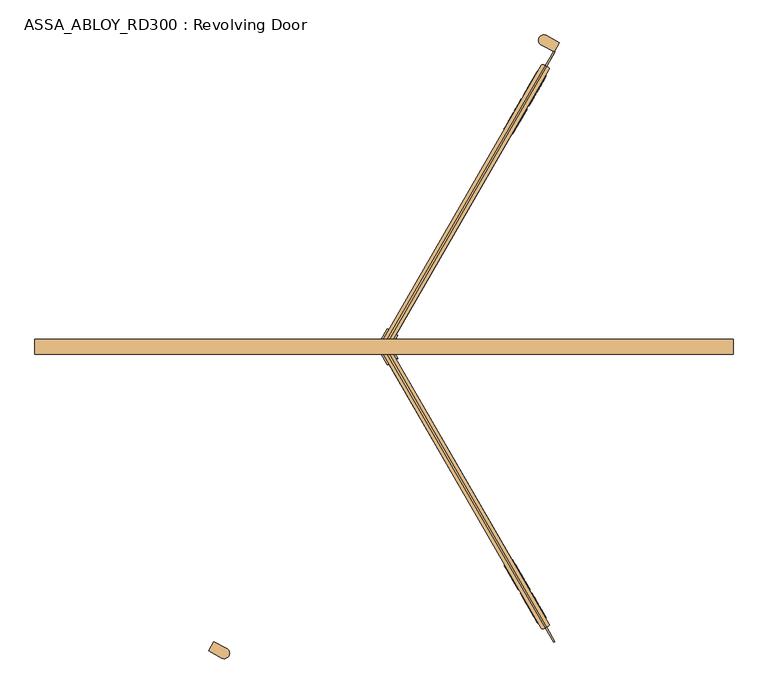
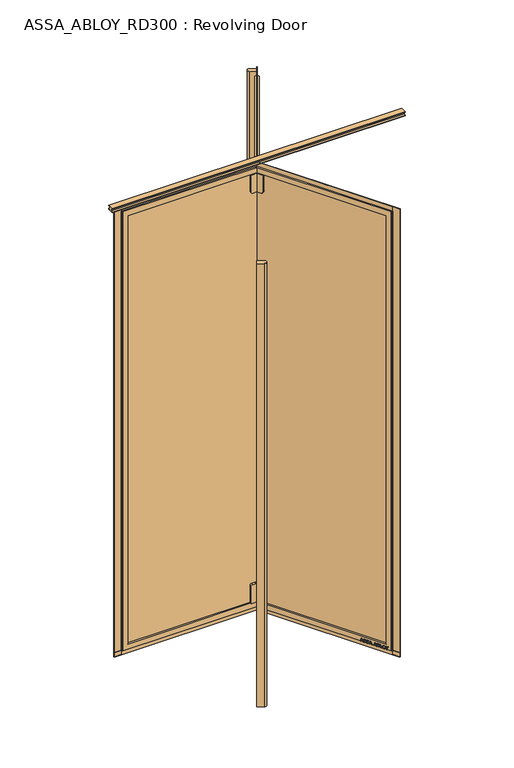
"""IFC4 building model written with IfcOpenShell, lengths in millimetres: door geometry, ASSA_ABLOY_RD300 : Revolving Door."""

from ifc_helpers import new_model, si_unit, point, frame, frame_2d, origin, origin_with_axes, origin_2d, place, context, project, spatial, polyline, circle_curve, trimmed, segment, composite_curve, outline, extrude, source, transform, mapped, element, save
from ifc_brep_helpers import plane_surface, cylinder_surface, advanced_brep


def assa_abloy_rd300_revolving_door_670767a7(model_context):
    return source(origin(), model_context, "Body", "SolidModel", [
        extrude(outline(polyline([(20.0, 2999.5), (20.0, 2995.0), (7.5, 2995.0), (7.5, 2978.0), (20.0, 2978.0), (20.0, 2973.5), (-20.0, 2973.5), (-20.0, 2978.0), (-7.5, 2978.0), (-7.5, 2995.0), (-20.0, 2995.0), (-20.0, 2999.5), (20.0, 2999.5)])), frame((-922.0, 0.0, 0.0), z_axis=(1.0, 0.0, 0.0), x_axis=(0.0, 1.0, 0.0)), (0.0, 0.0, 1.0), 1844.0),
        extrude(outline(composite_curve([segment(trimmed(circle_curve(origin_2d(), 899.0), [point((-449.5, -778.556838))], [point((-414.4138246, -797.7857996))], True, "CARTESIAN"), True, "CONTINUOUS"), segment(trimmed(circle_curve(frame_2d((-421.9447104, -809.619189)), 14.0265229), [point((-414.4138246, -797.7857996))], [point((-428.4272833, -822.0578221))], False, "CARTESIAN"), True, "CONTINUOUS"), segment(trimmed(circle_curve(origin_2d(), 927.0), [point((-428.4272833, -822.0578221))], [point((-463.5, -802.8055493))], False, "CARTESIAN"), True, "CONTINUOUS"), segment(polyline([(-463.5, -802.8055493), (-449.5, -778.556838)]), True, "CONTINUOUS")], self_intersect=False)), origin_with_axes(), (0.0, 0.0, 1.0), 2949.0),
        extrude(outline(composite_curve([segment(trimmed(circle_curve(origin_2d(), 899.0), [point((449.5, 778.556838))], [point((414.4138246, 797.7857996))], True, "CARTESIAN"), True, "CONTINUOUS"), segment(trimmed(circle_curve(frame_2d((421.9447104, 809.619189)), 14.0265229), [point((414.4138246, 797.7857996))], [point((428.4272833, 822.0578221))], False, "CARTESIAN"), True, "CONTINUOUS"), segment(trimmed(circle_curve(origin_2d(), 927.0), [point((428.4272833, 822.0578221))], [point((463.5, 802.8055493))], False, "CARTESIAN"), True, "CONTINUOUS"), segment(polyline([(463.5, 802.8055493), (449.5, 778.556838)]), True, "CONTINUOUS")], self_intersect=False)), origin_with_axes(), (0.0, 0.0, 1.0), 2949.0),
        extrude(outline(composite_curve([segment(polyline([(-44.9999999, 0.0), (0.0, 0.0), (0.0, -114.0)]), True, "CONTINUOUS"), segment(trimmed(circle_curve(frame_2d((-9.0, -114.0)), 9.0), [point((0.0, -114.0))], [point((-9.0, -123.0))], False, "CARTESIAN"), True, "CONTINUOUS"), segment(polyline([(-9.0, -123.0), (-44.9999999, -123.0), (-44.9999999, 0.0)]), True, "CONTINUOUS")], self_intersect=False)), frame((8.66838, -46.9568327, 63.0), z_axis=(0.8660254037844367, 0.5000000000000033, 0.0), x_axis=(0.5000000000000033, -0.8660254037844367, 0.0)), (0.0, 0.0, 1.0), 31.9427582),
        extrude(outline(composite_curve([segment(polyline([(0.0, 0.0), (123.0, 0.0), (123.0, -36.0)]), True, "CONTINUOUS"), segment(trimmed(circle_curve(frame_2d((114.0, -36.0)), 9.0), [point((123.0, -36.0))], [point((114.0, -44.9999999))], False, "CARTESIAN"), True, "CONTINUOUS"), segment(polyline([(114.0, -44.9999999), (0.0, -44.9999999), (0.0, 0.0)]), True, "CONTINUOUS")], self_intersect=False)), frame((-13.83162, -7.9856896, 2914.0), z_axis=(0.8660254037844367, 0.5000000000000033, 0.0), x_axis=(0.0, 0.0, -1.0)), (0.0, 0.0, 1.0), 31.9427582),
        advanced_brep(
        [(-9.9592921, -5.75, 28.0), (9.9592921, 5.75, 28.0), (435.6592921, -731.5840288, 28.0), (433.9755753, -737.8677456, 28.0), (422.0244247, -744.7677456, 28.0), (415.7407079, -743.0840288, 28.0), (-9.9592921, -5.75, 63.0), (400.5407079, -716.7568565, 63.0), (420.4592921, -705.2568565, 63.0), (9.9592921, 5.75, 63.0), (9.9592921, 5.75, 2914.0), (-9.9592921, -5.75, 2914.0), (-9.9592921, -5.75, 2949.0), (9.9592921, 5.75, 2949.0), (420.4592921, -705.2568565, 2914.0), (400.5407079, -716.7568565, 2914.0), (433.9755753, -737.8677456, 2949.0), (422.0244247, -744.7677456, 2949.0), (415.7407079, -743.0840288, 2949.0), (435.6592921, -731.5840288, 2949.0)],
        [
            (0, 1),
            (1, 2),
            (2, 3, circle_curve(frame((431.6755753, -733.8840288, 28.0), z_axis=(0.0, 0.0, -1.0), x_axis=(-0.8660254037844367, -0.5000000000000033, 0.0)), 4.6)),
            (3, 4),
            (4, 5, circle_curve(frame((419.7244247, -740.7840288, 28.0), z_axis=(0.0, 0.0, -1.0), x_axis=(-0.8660254037844367, -0.5000000000000033, 0.0)), 4.6)),
            (5, 0),
            (6, 7),
            (7, 8),
            (8, 9),
            (9, 6),
            (10, 11),
            (11, 12),
            (12, 13),
            (13, 10),
            (10, 14),
            (14, 15),
            (15, 11),
            (7, 15),
            (14, 8),
            (16, 17),
            (17, 4),
            (3, 16),
            (17, 18, circle_curve(frame((419.7244247, -740.7840288, 2949.0), z_axis=(0.0, 0.0, -1.0), x_axis=(-0.8660254037844367, -0.5000000000000033, 0.0)), 4.6)),
            (18, 5),
            (19, 16, circle_curve(frame((431.6755753, -733.8840288, 2949.0), z_axis=(0.0, 0.0, -1.0), x_axis=(-0.8660254037844367, -0.5000000000000033, 0.0)), 4.6)),
            (2, 19),
            (6, 0),
            (18, 12),
            (1, 9),
            (13, 19),
        ],
        [
            plane_surface(frame((400.5407079, -716.7568565, 28.0), z_axis=(0.0, 0.0, -1.0), x_axis=(-0.5000000000000033, 0.8660254037844367, 0.0))),
            plane_surface(frame((420.4592921, -705.2568565, 63.0), z_axis=(0.0, 0.0, 1.0), x_axis=(-0.5000000000000033, 0.8660254037844367, 0.0))),
            plane_surface(frame((0.0, 0.0, 2949.0), z_axis=(-0.5000000000000033, 0.8660254037844367, 0.0), x_axis=(-0.8660254037844367, -0.5000000000000033, 0.0))),
            plane_surface(frame((9.9592921, 5.75, 2914.0), z_axis=(0.0, 0.0, -1.0), x_axis=(0.5000000000000033, -0.8660254037844367, 0.0))),
            plane_surface(frame((420.4592921, -705.2568565, 2949.0), z_axis=(-0.5000000000000033, 0.8660254037844367, 0.0), x_axis=(0.0, 0.0, -1.0))),
            plane_surface(frame((422.0244247, -744.7677456, 2949.0), z_axis=(0.5000000000000033, -0.8660254037844367, 0.0), x_axis=(0.0, 0.0, -1.0))),
            cylinder_surface(frame((419.7244247, -740.7840288, 2949.0), z_axis=(0.0, 0.0, 1.0), x_axis=(-0.8660254037844367, -0.5000000000000033, 0.0)), 4.6),
            cylinder_surface(frame((431.6755753, -733.8840288, 2949.0), z_axis=(0.0, 0.0, 1.0), x_axis=(-0.8660254037844367, -0.5000000000000033, 0.0)), 4.6),
            plane_surface(frame((400.5407079, -716.7568565, 63.0), z_axis=(-0.8660254037844367, -0.5000000000000033, 0.0), x_axis=(-0.5000000000000033, 0.8660254037844367, 0.0))),
            plane_surface(frame((420.4592921, -705.2568565, 28.0), z_axis=(0.8660254037844367, 0.5000000000000033, 0.0), x_axis=(-0.5000000000000033, 0.8660254037844367, 0.0))),
            plane_surface(frame((0.0, 0.0, 28.0), z_axis=(-0.5000000000000033, 0.8660254037844367, 0.0), x_axis=(-0.8660254037844367, -0.5000000000000033, 0.0))),
            plane_surface(frame((428.0, -741.3177456, 2949.0), z_axis=(0.0, 0.0, 1.0), x_axis=(-0.8660254037844367, -0.5000000000000033, 0.0))),
        ],
        [
            (0, [[1, 2, 3, 4, 5, 6]]),
            (1, [[7, 8, 9, 10]]),
            (2, [[11, 12, 13, 14]]),
            (3, [[-11, 15, 16, 17]]),
            (4, [[-8, 18, -16, 19]]),
            (5, [[20, 21, -4, 22]]),
            (6, [[23, 24, -5, -21]]),
            (7, [[25, -22, -3, 26]]),
            (8, [[-7, 27, -6, -24, 28, -12, -17, -18]]),
            (9, [[29, -9, -19, -15, -14, 30, -26, -2]]),
            (10, [[-27, -10, -29, -1]]),
            (11, [[-28, -23, -20, -25, -30, -13]]),
        ],
    ),
        extrude(outline(polyline([(448.4844586, -780.2978617), (426.4844586, -742.1927439), (429.5155414, -740.4427474), (451.5155414, -778.5478652), (448.4844586, -780.2978617)])), origin_with_axes(), (0.0, 0.0, 1.0), 2978.0),
        extrude(outline(polyline([(448.4844586, -780.2978617), (-1.5155414, -0.8749983), (1.5155414, 0.8749982), (451.5155414, -778.5478652), (448.4844586, -780.2978617)])), frame((0.0, 0.0, 2948.0), z_axis=(0.0, 0.0, 1.0), x_axis=(1.0, 0.0, 0.0)), (0.0, 0.0, 1.0), 30.0),
        extrude(outline(polyline([(408.9844586, -711.8818548), (-1.5155414, -0.8749983), (1.5155414, 0.8749982), (412.0155414, -710.1318583), (408.9844586, -711.8818548)])), frame((0.0, 0.0, 63.0), z_axis=(0.0, 0.0, 1.0), x_axis=(1.0, 0.0, 0.0)), (0.0, 0.0, 1.0), 2851.0),
        extrude(outline(polyline([(448.4844586, -780.2978617), (-1.5155414, -0.8749983), (1.5155414, 0.8749982), (451.5155414, -778.5478652), (448.4844586, -780.2978617)])), frame((0.0, 0.0, -2.0), z_axis=(0.0, 0.0, 1.0), x_axis=(1.0, 0.0, 0.0)), (0.0, 0.0, 1.0), 30.0),
        extrude(outline(polyline([(21.1919362, 0.0), (20.214336, -2.6529929), (14.2348715, -2.5853723), (11.2716326, -10.6269535), (15.8652682, -14.4554101), (14.8894584, -17.103544), (-1.2354289, -3.3526833), (0.0, 0.0), (21.1919362, 0.0)]), holes=[polyline([(11.7626281, -2.5849674), (1.6611384, -2.5160752), (9.3848751, -9.0376682), (11.7626281, -2.5849674)])]), frame((421.3433712, -706.7881263, 47.8848654), z_axis=(0.8660254037844434, 0.4999999999999922, 0.0), x_axis=(-0.17288098849125139, 0.29943865572958406, -0.9383222555567716)), (0.0, 0.0, 1.0), 2.0),
        extrude(outline(polyline([(3.5121291, 0.0), (5.4926863, -1.2764387), (6.787432, -3.3659463), (7.2092232, -6.1919011), (6.5093631, -9.6341389), (4.8247981, -13.2083906), (2.5145629, -16.157079), (-0.6567352, -15.0446471), (2.4447823, -12.1320668), (4.3562346, -8.7636199), (4.8029446, -4.7524081), (2.9863484, -2.6252692), (0.9295188, -2.6144293), (-0.6628891, -4.2207408), (-1.8238571, -6.2006452), (-3.0893834, -8.4786223), (-6.2388815, -11.6844271), (-9.9996043, -11.7673438), (-13.1300796, -8.3561656), (-12.7977466, -2.5981571), (-11.0920114, 1.0208017), (-9.0699595, 3.711135), (-6.0403681, 2.6484111), (-8.71119, 0.0484616), (-10.6514742, -3.4882218), (-11.0208469, -7.16163), (-9.3614355, -9.1814982), (-7.3063201, -9.1972245), (-5.5118807, -7.3434952), (-4.250422, -5.1162244), (-2.818732, -2.6852579), (0.0, 0.0), (3.5121291, 0.0)])), frame((409.4784759, -686.2375248, 36.999973), z_axis=(0.8660254037844433, 0.49999999999999223, 0.0), x_axis=(-0.16550355081008458, 0.2866605588361298, -0.9436282629706529)), (0.0, 0.0, 1.0), 2.0),
        extrude(outline(polyline([(3.5121291, 0.0), (5.4926863, -1.2764387), (6.787432, -3.3659463), (7.2092232, -6.1919011), (6.5093631, -9.6341389), (4.8247981, -13.2083906), (2.5145629, -16.157079), (-0.6567352, -15.0446471), (2.4447823, -12.1320668), (4.3562346, -8.76362), (4.8029446, -4.7524081), (2.9863484, -2.6252692), (0.9295188, -2.6144293), (-0.6628891, -4.2207408), (-1.8238571, -6.2006452), (-3.0893834, -8.4786223), (-6.2388815, -11.6844271), (-9.9996043, -11.7673438), (-13.1300796, -8.3561656), (-12.7977466, -2.5981571), (-11.0920114, 1.0208017), (-9.0699595, 3.711135), (-6.0403681, 2.6484111), (-8.71119, 0.0484616), (-10.6514742, -3.4882218), (-11.0208469, -7.16163), (-9.3614355, -9.1814982), (-7.3063201, -9.1972245), (-5.5118807, -7.3434952), (-4.250422, -5.1162244), (-2.8187321, -2.6852579), (0.0, 0.0), (3.5121291, 0.0)])), frame((400.0331648, -669.8777661, 36.999973), z_axis=(0.8660254037844433, 0.49999999999999223, 0.0), x_axis=(-0.16550355081008458, 0.2866605588361298, -0.9436282629706529)), (0.0, 0.0, 1.0), 2.0),
        extrude(outline(polyline([(21.1919362, 0.0), (20.214336, -2.6529929), (14.2348715, -2.5853724), (11.2716326, -10.6269535), (15.8652682, -14.4554101), (14.8894584, -17.1035442), (-1.2354289, -3.3526833), (0.0, 0.0), (21.1919362, 0.0)]), holes=[polyline([(11.7626281, -2.5849675), (1.6611384, -2.5160752), (9.3848751, -9.0376682), (11.7626281, -2.5849675)])]), frame((393.0074379, -657.7088502, 47.8848654), z_axis=(0.8660254037844431, 0.499999999999992, 0.0), x_axis=(-0.17288098849125136, 0.299438655729584, -0.9383222555567717)), (0.0, 0.0, 1.0), 2.0),
        extrude(outline(polyline([(21.1919362, 0.0), (20.214336, -2.6529929), (14.2348715, -2.5853723), (11.2716326, -10.6269535), (15.8652682, -14.4554101), (14.8894584, -17.103544), (-1.2354289, -3.3526833), (0.0, 0.0), (21.1919362, 0.0)]), holes=[polyline([(11.7626281, -2.5849674), (1.6611384, -2.5160752), (9.3848751, -9.0376682), (11.7626281, -2.5849674)])]), frame((378.7566177, -633.0257055, 47.8848654), z_axis=(0.8660254037844431, 0.499999999999992, 0.0), x_axis=(-0.17288098849125136, 0.299438655729584, -0.9383222555567717)), (0.0, 0.0, 1.0), 2.0),
        extrude(outline(polyline([(3.6247797, -1e-07), (5.9232413, -1.3859292), (7.204982, -3.4426963), (7.5842828, -6.2202288), (6.8194358, -9.6251298), (4.5055294, -16.408152), (-14.3144162, -9.9880649), (-12.3716711, -4.2930709), (-11.1479956, -1.1951535), (-9.8352433, 0.5920773), (-7.9241126, 1.6554025), (-5.7320771, 1.441087), (-3.7068839, -0.0321766), (-2.8147562, -2.4211002), (0.0, 0.0), (3.6247797, -1e-07)]), holes=[polyline([(-5.2214253, -2.9241787), (-9.3653605, -2.9303688), (-10.1960736, -5.1008934), (-11.2627443, -8.2277489), (-5.9304264, -10.0467736), (-4.7734732, -6.6552625), (-5.2214253, -2.9241787)]), polyline([(2.8765906, -2.5461079), (0.9746905, -2.2912471), (-0.5832315, -3.1932876), (-1.5099769, -4.5787397), (-2.347091, -6.7279309), (-3.7347661, -10.7957837), (3.1658807, -13.1498157), (4.3362091, -9.7190964), (5.1175974, -6.8751818), (5.1102533, -4.8838352), (4.3679308, -3.4351118), (2.8765906, -2.5461079)])]), frame((366.5641917, -611.9078042, 37.561824), z_axis=(0.8660254037844433, 0.4999999999999922, 0.0), x_axis=(-0.1614314953418267, 0.27960755187386827, -0.9464457138403681)), (0.0, 0.0, 1.0), 2.0),
        extrude(outline(polyline([(2.319901, 0.0), (2.319901, -12.5937481), (-17.5649644, -12.5937481), (-17.5649644, -9.9424327), (0.0, -9.9424327), (0.0, 0.0), (2.319901, 0.0)])), frame((357.8593847, -596.8306363, 30.319901), z_axis=(0.8660254037844433, 0.49999999999999206, 0.0), x_axis=(0.0, 0.0, -1.0)), (0.0, 0.0, 1.0), 2.0),
        extrude(outline(polyline([(3.4755122, 0.0), (6.8343334, -1.6217536), (9.841779, -4.8358204), (11.7934802, -8.7947164), (12.1283676, -12.475947), (10.9175762, -15.7640054), (8.2007386, -18.4707048), (4.7147757, -20.0502836), (1.2097864, -20.0486711), (-2.1257687, -18.4422905), (-5.1361655, -15.2239686), (-7.0812776, -11.3109182), (-7.4345588, -7.5668217), (-6.1998493, -4.2905332), (-3.5095377, -1.5864764), (0.0, 0.0), (3.4755122, 0.0)]), holes=[polyline([(7.6631689, -6.3468237), (2.8864763, -2.494471), (-2.1788995, -3.4868579), (-4.8960978, -7.8921765), (-2.9575554, -13.7129653), (1.8513938, -17.5618518), (6.8871209, -16.5585186), (9.5892893, -12.1951337), (7.6631689, -6.3468237)])]), frame((350.5825078, -584.2267158, 47.5197917), z_axis=(0.8660254037844433, 0.4999999999999921, 0.0), x_axis=(-0.41085457557085336, 0.71162099941088, -0.5699070721880493)), (0.0, 0.0, 1.0), 2.0),
        extrude(outline(polyline([(3.1691504, 0.0), (-4.121967, -11.1645234), (-4.121967, -19.8848654), (-6.7732824, -19.8848654), (-6.7732824, -11.4441543), (-14.0643996, 0.0), (-10.921141, 0.0), (-5.4320896, -8.8964059), (0.0, 0.0), (3.1691504, 0.0)])), frame((340.0562161, -565.9946437, 47.8848654), z_axis=(0.8660254037844433, 0.49999999999999206, 0.0), x_axis=(-0.49999999999999206, 0.8660254037844433, 0.0)), (0.0, 0.0, 1.0), 2.0),
        extrude(outline(polyline([(-21.1919363, 1e-07), (0.0, 0.0), (1.2354289, -3.3526833), (-14.8894584, -17.1035441), (-15.8652682, -14.4554101), (-11.2716326, -10.6269535), (-14.2348715, -2.5853724), (-20.214336, -2.6529929), (-21.1919363, 1e-07)]), holes=[polyline([(-11.7626281, -2.5849675), (-9.3848751, -9.0376682), (-1.6611384, -2.5160752), (-11.7626281, -2.5849675)])]), frame((322.602634, -585.7641527, 47.8848654), z_axis=(0.86602540378444, 0.49999999999999767, 0.0), x_axis=(-0.17288098849125333, 0.299438655729583, 0.9383222555567716)), (0.0, 0.0, 1.0), 2.0),
        extrude(outline(polyline([(-3.5121291, 0.0), (0.0, 0.0), (2.8187321, -2.6852579), (4.250422, -5.1162244), (5.5118808, -7.3434952), (7.3063201, -9.1972245), (9.3614355, -9.1814982), (11.0208469, -7.16163), (10.6514742, -3.4882218), (8.71119, 0.0484617), (6.0403681, 2.6484111), (9.0699595, 3.711135), (11.0920114, 1.0208017), (12.7977466, -2.5981572), (13.1300796, -8.3561656), (9.9996043, -11.7673438), (6.2388815, -11.6844271), (3.0893834, -8.4786223), (1.8238571, -6.2006453), (0.6628891, -4.2207409), (-0.9295188, -2.6144294), (-2.9863484, -2.6252693), (-4.8029446, -4.7524081), (-4.3562346, -8.76362), (-2.4447823, -12.1320668), (0.6567352, -15.0446471), (-2.5145629, -16.157079), (-4.8247981, -13.2083905), (-6.5093631, -9.6341389), (-7.2092232, -6.1919011), (-6.787432, -3.3659463), (-5.4926863, -1.2764387), (-3.5121291, 0.0)])), frame((334.4675293, -606.3147542, 36.999973), z_axis=(0.86602540378444, 0.4999999999999977, 0.0), x_axis=(-0.16550355081008533, 0.28666055883612684, 0.9436282629706536)), (0.0, 0.0, 1.0), 2.0),
        extrude(outline(polyline([(-3.5121291, 0.0), (0.0, 0.0), (2.8187321, -2.6852579), (4.250422, -5.1162244), (5.5118808, -7.3434952), (7.3063201, -9.1972245), (9.3614355, -9.1814983), (11.0208469, -7.1616301), (10.6514742, -3.4882218), (8.71119, 0.0484617), (6.0403681, 2.6484111), (9.0699595, 3.711135), (11.0920114, 1.0208017), (12.7977466, -2.5981572), (13.1300796, -8.3561656), (9.9996043, -11.7673438), (6.2388815, -11.6844271), (3.0893834, -8.4786223), (1.8238571, -6.2006453), (0.6628891, -4.2207409), (-0.9295188, -2.6144294), (-2.9863484, -2.6252693), (-4.8029446, -4.7524081), (-4.3562346, -8.76362), (-2.4447823, -12.1320668), (0.6567352, -15.0446471), (-2.5145629, -16.157079), (-4.8247981, -13.2083905), (-6.5093631, -9.6341389), (-7.2092232, -6.1919012), (-6.787432, -3.3659463), (-5.4926863, -1.2764387), (-3.5121291, 0.0)])), frame((343.9128404, -622.6745129, 36.999973), z_axis=(0.86602540378444, 0.4999999999999977, 0.0), x_axis=(-0.16550355081008533, 0.28666055883612684, 0.9436282629706536)), (0.0, 0.0, 1.0), 2.0),
        extrude(outline(polyline([(-21.1919362, 0.0), (0.0, 0.0), (1.2354289, -3.3526833), (-14.8894584, -17.1035441), (-15.8652682, -14.4554101), (-11.2716326, -10.6269535), (-14.2348715, -2.5853724), (-20.214336, -2.6529929), (-21.1919362, 0.0)]), holes=[polyline([(-11.7626281, -2.5849675), (-9.3848751, -9.0376682), (-1.6611384, -2.5160752), (-11.7626281, -2.5849675)])]), frame((350.9385673, -634.8434288, 47.8848654), z_axis=(0.86602540378444, 0.49999999999999767, 0.0), x_axis=(-0.17288098849125333, 0.299438655729583, 0.9383222555567716)), (0.0, 0.0, 1.0), 2.0),
        extrude(outline(polyline([(-21.1919362, 0.0), (0.0, 0.0), (1.2354289, -3.3526833), (-14.8894584, -17.1035441), (-15.8652682, -14.4554101), (-11.2716326, -10.6269535), (-14.2348715, -2.5853724), (-20.214336, -2.6529929), (-21.1919362, 0.0)]), holes=[polyline([(-11.7626281, -2.5849675), (-9.3848751, -9.0376682), (-1.6611384, -2.5160752), (-11.7626281, -2.5849675)])]), frame((365.1893875, -659.5265735, 47.8848654), z_axis=(0.86602540378444, 0.49999999999999767, 0.0), x_axis=(-0.17288098849125333, 0.299438655729583, 0.9383222555567716)), (0.0, 0.0, 1.0), 2.0),
        extrude(outline(polyline([(-3.6247797, -1e-07), (0.0, 0.0), (2.8147562, -2.4211002), (3.7068839, -0.0321767), (5.7320771, 1.441087), (7.9241126, 1.6554024), (9.8352433, 0.5920774), (11.1479956, -1.1951535), (12.3716711, -4.2930708), (14.3144162, -9.9880649), (-4.5055294, -16.408152), (-6.8194358, -9.6251298), (-7.5842828, -6.2202288), (-7.204982, -3.4426963), (-5.9232413, -1.3859292), (-3.6247797, -1e-07)]), holes=[polyline([(5.2214253, -2.9241787), (4.7734732, -6.6552626), (5.9304264, -10.0467736), (11.2627443, -8.2277489), (10.1960736, -5.1008933), (9.3653605, -2.9303688), (5.2214253, -2.9241787)]), polyline([(-2.8765906, -2.5461079), (-4.3679308, -3.4351118), (-5.1102533, -4.8838352), (-5.1175974, -6.8751818), (-4.336209, -9.7190964), (-3.1658807, -13.1498157), (3.7347661, -10.7957837), (2.347091, -6.7279309), (1.5099769, -4.5787397), (0.5832316, -3.1932877), (-0.9746905, -2.2912471), (-2.8765906, -2.5461079)])]), frame((377.3818135, -680.6444748, 37.561824), z_axis=(0.8660254037844402, 0.4999999999999977, 0.0), x_axis=(-0.1614314953418285, 0.2796075518738672, 0.9464457138403681)), (0.0, 0.0, 1.0), 2.0),
        extrude(outline(polyline([(-2.319901, 0.0), (0.0, 0.0), (0.0, -9.9424327), (17.5649644, -9.9424327), (17.5649644, -12.5937481), (-2.319901, -12.5937481), (-2.319901, 0.0)])), frame((386.0866204, -695.7216427, 30.319901), z_axis=(0.86602540378444, 0.49999999999999767, 0.0), x_axis=(0.0, 0.0, 1.0)), (0.0, 0.0, 1.0), 2.0),
        extrude(outline(polyline([(-3.4755122, 0.0), (0.0, 0.0), (3.5095377, -1.5864764), (6.1998493, -4.2905332), (7.4345587, -7.5668217), (7.0812776, -11.3109182), (5.1361655, -15.2239686), (2.1257687, -18.4422905), (-1.2097864, -20.048671), (-4.7147757, -20.0502836), (-8.2007386, -18.4707048), (-10.9175762, -15.7640054), (-12.1283676, -12.475947), (-11.7934802, -8.7947164), (-9.8417791, -4.8358203), (-6.8343334, -1.6217536), (-3.4755122, 0.0)]), holes=[polyline([(-7.663169, -6.3468237), (-9.5892894, -12.1951337), (-6.8871209, -16.5585186), (-1.8513939, -17.5618518), (2.9575554, -13.7129652), (4.8960978, -7.8921765), (2.1788995, -3.4868579), (-2.8864763, -2.494471), (-7.663169, -6.3468237)])]), frame((393.3634973, -708.3255632, 47.5197917), z_axis=(0.8660254037844402, 0.49999999999999767, 0.0), x_axis=(-0.41085457557085897, 0.7116209994108791, 0.5699070721880464)), (0.0, 0.0, 1.0), 2.0),
        extrude(outline(polyline([(-3.1691505, 0.0), (0.0, 0.0), (5.4320896, -8.8964059), (10.9211409, 0.0), (14.0643996, 0.0), (6.7732822, -11.4441543), (6.7732822, -19.8848654), (4.1219669, -19.8848654), (4.1219669, -11.1645234), (-3.1691505, 0.0)])), frame((403.889789, -726.5576353, 47.8848654), z_axis=(0.86602540378444, 0.49999999999999767, 0.0), x_axis=(-0.49999999999999767, 0.86602540378444, 0.0)), (0.0, 0.0, 1.0), 2.0),
        extrude(outline(composite_curve([segment(polyline([(-45.0, 0.0), (0.0, 0.0), (0.0, -114.0)]), True, "CONTINUOUS"), segment(trimmed(circle_curve(frame_2d((-9.0, -114.0)), 9.0), [point((0.0, -114.0))], [point((-9.0, -123.0))], False, "CARTESIAN"), True, "CONTINUOUS"), segment(polyline([(-9.0, -123.0), (-45.0, -123.0), (-45.0, 0.0)]), True, "CONTINUOUS")], self_intersect=False)), frame((36.33162, 30.9854536, 63.0), z_axis=(-0.8660254037844428, 0.49999999999999295, 0.0), x_axis=(0.49999999999999295, 0.8660254037844428, 0.0)), (0.0, 0.0, 1.0), 31.9427582),
        extrude(outline(composite_curve([segment(polyline([(0.0, 0.0), (123.0, 0.0), (123.0, -36.0000001)]), True, "CONTINUOUS"), segment(trimmed(circle_curve(frame_2d((114.0, -36.0000001)), 9.0), [point((123.0, -36.0000001))], [point((114.0, -45.0))], False, "CARTESIAN"), True, "CONTINUOUS"), segment(polyline([(114.0, -45.0), (0.0, -45.0), (0.0, 0.0)]), True, "CONTINUOUS")], self_intersect=False)), frame((13.83162, -7.9856896, 2914.0), z_axis=(-0.8660254037844428, 0.49999999999999295, 0.0), x_axis=(0.0, 0.0, -1.0)), (0.0, 0.0, 1.0), 31.9427582),
        advanced_brep(
        [(9.9592921, -5.75, 28.0), (-9.9592921, 5.75, 28.0), (415.7407079, 743.0840288, 28.0), (422.0244247, 744.7677456, 28.0), (433.9755753, 737.8677456, 28.0), (435.6592921, 731.5840288, 28.0), (9.9592921, -5.75, 63.0), (420.4592921, 705.2568565, 63.0), (400.5407079, 716.7568565, 63.0), (-9.9592921, 5.75, 63.0), (-9.9592921, 5.75, 2914.0), (9.9592921, -5.75, 2914.0), (9.9592921, -5.75, 2949.0), (-9.9592921, 5.75, 2949.0), (400.5407079, 716.7568565, 2914.0), (420.4592921, 705.2568565, 2914.0), (422.0244247, 744.7677456, 2949.0), (433.9755753, 737.8677456, 2949.0), (435.6592921, 731.5840288, 2949.0), (415.7407079, 743.0840288, 2949.0)],
        [
            (0, 1),
            (1, 2),
            (2, 3, circle_curve(frame((419.7244247, 740.7840288, 28.0), z_axis=(0.0, 0.0, -1.0), x_axis=(0.8660254037844428, -0.49999999999999295, 0.0)), 4.6)),
            (3, 4),
            (4, 5, circle_curve(frame((431.6755753, 733.8840288, 28.0), z_axis=(0.0, 0.0, -1.0), x_axis=(0.8660254037844428, -0.49999999999999295, 0.0)), 4.6)),
            (5, 0),
            (6, 7),
            (7, 8),
            (8, 9),
            (9, 6),
            (10, 11),
            (11, 12),
            (12, 13),
            (13, 10),
            (10, 14),
            (14, 15),
            (15, 11),
            (7, 15),
            (14, 8),
            (16, 17),
            (17, 4),
            (3, 16),
            (17, 18, circle_curve(frame((431.6755753, 733.8840288, 2949.0), z_axis=(0.0, 0.0, -1.0), x_axis=(0.8660254037844428, -0.49999999999999295, 0.0)), 4.6)),
            (18, 5),
            (19, 16, circle_curve(frame((419.7244247, 740.7840288, 2949.0), z_axis=(0.0, 0.0, -1.0), x_axis=(0.8660254037844428, -0.49999999999999295, 0.0)), 4.6)),
            (2, 19),
            (6, 0),
            (18, 12),
            (1, 9),
            (13, 19),
        ],
        [
            plane_surface(frame((420.4592921, 705.2568565, 28.0), z_axis=(0.0, 0.0, -1.0000000000000002), x_axis=(-0.49999999999999295, -0.8660254037844428, 0.0))),
            plane_surface(frame((400.5407079, 716.7568565, 63.0), z_axis=(0.0, 0.0, 1.0000000000000002), x_axis=(-0.49999999999999295, -0.8660254037844428, 0.0))),
            plane_surface(frame((0.0, 0.0, 2949.0), z_axis=(-0.49999999999999295, -0.8660254037844428, 0.0), x_axis=(0.8660254037844428, -0.49999999999999295, 0.0))),
            plane_surface(frame((-9.9592921, 5.75, 2914.0), z_axis=(0.0, 0.0, -1.0000000000000002), x_axis=(0.49999999999999295, 0.8660254037844428, 0.0))),
            plane_surface(frame((400.5407079, 716.7568565, 2949.0), z_axis=(-0.49999999999999295, -0.8660254037844428, 0.0), x_axis=(0.0, 0.0, -1.0))),
            plane_surface(frame((433.9755753, 737.8677456, 2949.0), z_axis=(0.49999999999999295, 0.8660254037844428, 0.0), x_axis=(0.0, 0.0, -1.0))),
            cylinder_surface(frame((431.6755753, 733.8840288, 2949.0), z_axis=(0.0, 0.0, 1.0), x_axis=(0.8660254037844428, -0.49999999999999295, 0.0)), 4.6),
            cylinder_surface(frame((419.7244247, 740.7840288, 2949.0), z_axis=(0.0, 0.0, 1.0), x_axis=(0.8660254037844428, -0.49999999999999295, 0.0)), 4.6),
            plane_surface(frame((420.4592921, 705.2568565, 63.0), z_axis=(0.8660254037844428, -0.49999999999999295, 0.0), x_axis=(-0.49999999999999295, -0.8660254037844428, 0.0))),
            plane_surface(frame((400.5407079, 716.7568565, 28.0), z_axis=(-0.8660254037844428, 0.49999999999999295, 0.0), x_axis=(-0.49999999999999295, -0.8660254037844428, 0.0))),
            plane_surface(frame((0.0, 0.0, 28.0), z_axis=(-0.49999999999999295, -0.8660254037844428, 0.0), x_axis=(0.8660254037844428, -0.49999999999999295, 0.0))),
            plane_surface(frame((428.0, 741.3177456, 2949.0), z_axis=(0.0, 0.0, 1.0000000000000002), x_axis=(0.8660254037844428, -0.49999999999999295, 0.0))),
        ],
        [
            (0, [[1, 2, 3, 4, 5, 6]]),
            (1, [[7, 8, 9, 10]]),
            (2, [[11, 12, 13, 14]]),
            (3, [[-11, 15, 16, 17]]),
            (4, [[-8, 18, -16, 19]]),
            (5, [[20, 21, -4, 22]]),
            (6, [[23, 24, -5, -21]]),
            (7, [[25, -22, -3, 26]]),
            (8, [[-7, 27, -6, -24, 28, -12, -17, -18]]),
            (9, [[29, -9, -19, -15, -14, 30, -26, -2]]),
            (10, [[-27, -10, -29, -1]]),
            (11, [[-28, -23, -20, -25, -30, -13]]),
        ],
    ),
        extrude(outline(polyline([(451.5155414, 778.5478652), (429.5155414, 740.4427474), (426.4844586, 742.1927439), (448.4844586, 780.2978617), (451.5155414, 778.5478652)])), origin_with_axes(), (0.0, 0.0, 1.0), 2978.0),
        extrude(outline(polyline([(451.5155414, 778.5478652), (1.5155414, -0.8749983), (-1.5155414, 0.8749982), (448.4844586, 780.2978617), (451.5155414, 778.5478652)])), frame((0.0, 0.0, 2948.0), z_axis=(0.0, 0.0, 1.0), x_axis=(1.0, 0.0, 0.0)), (0.0, 0.0, 1.0), 30.0),
        extrude(outline(polyline([(412.0155414, 710.1318583), (1.5155414, -0.8749983), (-1.5155414, 0.8749982), (408.9844586, 711.8818548), (412.0155414, 710.1318583)])), frame((0.0, 0.0, 63.0), z_axis=(0.0, 0.0, 1.0), x_axis=(1.0, 0.0, 0.0)), (0.0, 0.0, 1.0), 2851.0),
        extrude(outline(polyline([(451.5155414, 778.5478652), (1.5155414, -0.8749983), (-1.5155414, 0.8749982), (448.4844586, 780.2978617), (451.5155414, 778.5478652)])), frame((0.0, 0.0, -2.0), z_axis=(0.0, 0.0, 1.0), x_axis=(1.0, 0.0, 0.0)), (0.0, 0.0, 1.0), 30.0),
        extrude(outline(polyline([(21.1919362, 0.0), (20.214336, -2.6529929), (14.2348715, -2.5853723), (11.2716326, -10.6269535), (15.8652682, -14.4554101), (14.8894584, -17.103544), (-1.2354289, -3.3526833), (0.0, 0.0), (21.1919362, 0.0)]), holes=[polyline([(11.7626281, -2.5849674), (1.6611384, -2.5160752), (9.3848751, -9.0376682), (11.7626281, -2.5849674)])]), frame((401.4247869, 718.2881263, 47.8848654), z_axis=(-0.8660254037844362, 0.5000000000000041, 0.0), x_axis=(-0.17288098849125558, -0.2994386557295817, -0.9383222555567716)), (0.0, 0.0, 1.0), 2.0),
        extrude(outline(polyline([(3.5121291, 0.0), (5.4926863, -1.2764387), (6.787432, -3.3659463), (7.2092232, -6.1919011), (6.5093631, -9.6341389), (4.8247981, -13.2083906), (2.5145629, -16.157079), (-0.6567352, -15.0446471), (2.4447823, -12.1320668), (4.3562346, -8.76362), (4.8029446, -4.7524081), (2.9863484, -2.6252692), (0.9295188, -2.6144293), (-0.6628891, -4.2207408), (-1.8238571, -6.2006452), (-3.0893834, -8.4786223), (-6.2388815, -11.6844271), (-9.9996043, -11.7673438), (-13.1300796, -8.3561656), (-12.7977466, -2.5981571), (-11.0920114, 1.0208017), (-9.0699595, 3.711135), (-6.0403681, 2.6484111), (-8.71119, 0.0484616), (-10.6514742, -3.4882218), (-11.0208469, -7.16163), (-9.3614355, -9.1814982), (-7.3063201, -9.1972245), (-5.5118807, -7.3434952), (-4.250422, -5.1162244), (-2.8187321, -2.6852579), (0.0, 0.0), (3.5121291, 0.0)])), frame((389.5598916, 697.7375248, 36.999973), z_axis=(-0.8660254037844364, 0.5000000000000041, 0.0), x_axis=(-0.16550355081008858, -0.28666055883612745, -0.9436282629706529)), (0.0, 0.0, 1.0), 2.0),
        extrude(outline(polyline([(3.5121291, 0.0), (5.4926863, -1.2764387), (6.787432, -3.3659463), (7.2092232, -6.1919011), (6.5093631, -9.6341389), (4.8247981, -13.2083906), (2.5145629, -16.157079), (-0.6567352, -15.0446471), (2.4447823, -12.1320668), (4.3562346, -8.76362), (4.8029446, -4.7524081), (2.9863484, -2.6252692), (0.9295188, -2.6144293), (-0.6628891, -4.2207408), (-1.8238571, -6.2006453), (-3.0893834, -8.4786223), (-6.2388816, -11.6844271), (-9.9996043, -11.7673438), (-13.1300796, -8.3561656), (-12.7977466, -2.5981571), (-11.0920114, 1.0208017), (-9.0699595, 3.711135), (-6.0403681, 2.6484111), (-8.71119, 0.0484616), (-10.6514742, -3.4882218), (-11.0208469, -7.16163), (-9.3614355, -9.1814982), (-7.3063201, -9.1972245), (-5.5118807, -7.3434952), (-4.250422, -5.1162244), (-2.8187321, -2.6852579), (0.0, 0.0), (3.5121291, 0.0)])), frame((380.1145805, 681.3777661, 36.999973), z_axis=(-0.8660254037844364, 0.5000000000000041, 0.0), x_axis=(-0.16550355081008858, -0.28666055883612745, -0.9436282629706529)), (0.0, 0.0, 1.0), 2.0),
        extrude(outline(polyline([(21.1919362, 0.0), (20.214336, -2.6529929), (14.2348715, -2.5853724), (11.2716326, -10.6269535), (15.8652682, -14.4554101), (14.8894584, -17.1035442), (-1.2354289, -3.3526833), (0.0, 0.0), (21.1919362, 0.0)]), holes=[polyline([(11.7626281, -2.5849675), (1.6611384, -2.5160752), (9.3848751, -9.0376682), (11.7626281, -2.5849675)])]), frame((373.0888536, 669.2088502, 47.8848654), z_axis=(-0.8660254037844363, 0.5000000000000042, 0.0), x_axis=(-0.17288098849125555, -0.29943865572958167, -0.9383222555567717)), (0.0, 0.0, 1.0), 2.0),
        extrude(outline(polyline([(21.1919362, 0.0), (20.214336, -2.6529929), (14.2348715, -2.5853723), (11.2716326, -10.6269535), (15.8652682, -14.4554101), (14.8894584, -17.103544), (-1.2354289, -3.3526833), (0.0, 0.0), (21.1919362, 0.0)]), holes=[polyline([(11.7626281, -2.5849674), (1.6611384, -2.5160752), (9.3848751, -9.0376682), (11.7626281, -2.5849674)])]), frame((358.8380334, 644.5257055, 47.8848654), z_axis=(-0.8660254037844363, 0.5000000000000042, 0.0), x_axis=(-0.17288098849125555, -0.29943865572958167, -0.9383222555567717)), (0.0, 0.0, 1.0), 2.0),
        extrude(outline(polyline([(3.6247797, -1e-07), (5.9232413, -1.3859292), (7.204982, -3.4426963), (7.5842828, -6.2202288), (6.8194358, -9.6251298), (4.5055294, -16.408152), (-14.3144162, -9.9880649), (-12.3716711, -4.2930709), (-11.1479956, -1.1951535), (-9.8352433, 0.5920774), (-7.9241126, 1.6554024), (-5.7320771, 1.441087), (-3.7068839, -0.0321766), (-2.8147562, -2.4211002), (0.0, 0.0), (3.6247797, -1e-07)]), holes=[polyline([(-5.2214253, -2.9241787), (-9.3653605, -2.9303688), (-10.1960736, -5.1008934), (-11.2627443, -8.2277489), (-5.9304264, -10.0467736), (-4.7734732, -6.6552625), (-5.2214253, -2.9241787)]), polyline([(2.8765906, -2.5461079), (0.9746905, -2.2912471), (-0.5832315, -3.1932876), (-1.5099769, -4.5787397), (-2.347091, -6.7279309), (-3.7347661, -10.7957837), (3.1658807, -13.1498157), (4.3362091, -9.7190964), (5.1175974, -6.8751818), (5.1102533, -4.8838352), (4.3679308, -3.4351118), (2.8765906, -2.5461079)])]), frame((346.6456074, 623.4078042, 37.561824), z_axis=(-0.8660254037844362, 0.5000000000000042, 0.0), x_axis=(-0.1614314953418306, -0.27960755187386604, -0.9464457138403681)), (0.0, 0.0, 1.0), 2.0),
        extrude(outline(polyline([(2.319901, 0.0), (2.319901, -12.5937481), (-17.5649644, -12.5937481), (-17.5649644, -9.9424327), (0.0, -9.9424327), (0.0, 0.0), (2.319901, 0.0)])), frame((337.9408004, 608.3306363, 30.319901), z_axis=(-0.8660254037844363, 0.5000000000000042, 0.0), x_axis=(0.0, 0.0, -1.0)), (0.0, 0.0, 1.0), 2.0),
        extrude(outline(polyline([(3.4755123, 0.0), (6.8343334, -1.6217536), (9.841779, -4.8358203), (11.7934802, -8.7947164), (12.1283676, -12.475947), (10.9175762, -15.7640054), (8.2007386, -18.4707048), (4.7147757, -20.0502836), (1.2097864, -20.048671), (-2.1257686, -18.4422905), (-5.1361655, -15.2239686), (-7.0812776, -11.3109182), (-7.4345588, -7.5668217), (-6.1998493, -4.2905332), (-3.5095377, -1.5864764), (0.0, 0.0), (3.4755123, 0.0)]), holes=[polyline([(7.663169, -6.3468237), (2.8864763, -2.494471), (-2.1788995, -3.4868579), (-4.8960978, -7.8921765), (-2.9575554, -13.7129652), (1.8513939, -17.5618518), (6.8871209, -16.5585186), (9.5892894, -12.1951337), (7.663169, -6.3468237)])]), frame((330.6639236, 595.7267158, 47.5197917), z_axis=(-0.8660254037844362, 0.5000000000000041, 0.0), x_axis=(-0.4108545755708633, -0.7116209994108742, -0.5699070721880491)), (0.0, 0.0, 1.0), 2.0),
        extrude(outline(polyline([(3.1691504, 0.0), (-4.121967, -11.1645234), (-4.121967, -19.8848654), (-6.7732824, -19.8848654), (-6.7732824, -11.4441543), (-14.0643996, 0.0), (-10.921141, 0.0), (-5.4320896, -8.8964059), (0.0, 0.0), (3.1691504, 0.0)])), frame((320.1376318, 577.4946437, 47.8848654), z_axis=(-0.8660254037844363, 0.5000000000000042, 0.0), x_axis=(-0.5000000000000042, -0.8660254037844363, 0.0)), (0.0, 0.0, 1.0), 2.0),
        extrude(outline(polyline([(-21.1919363, 1e-07), (0.0, 0.0), (1.2354289, -3.3526833), (-14.8894584, -17.1035441), (-15.8652682, -14.4554101), (-11.2716326, -10.6269535), (-14.2348715, -2.5853724), (-20.214336, -2.6529929), (-21.1919363, 1e-07)]), holes=[polyline([(-11.7626281, -2.5849675), (-9.3848751, -9.0376682), (-1.6611384, -2.5160752), (-11.7626281, -2.5849675)])]), frame((345.9853199, 572.2641527, 47.8848654), z_axis=(-0.8660254037844394, 0.49999999999999856, 0.0), x_axis=(-0.1728809884912537, -0.2994386557295829, 0.9383222555567716)), (0.0, 0.0, 1.0), 2.0),
        extrude(outline(polyline([(-3.5121291, 0.0), (0.0, 0.0), (2.8187321, -2.6852579), (4.250422, -5.1162244), (5.5118808, -7.3434952), (7.3063201, -9.1972245), (9.3614355, -9.1814982), (11.0208469, -7.16163), (10.6514742, -3.4882218), (8.71119, 0.0484617), (6.0403681, 2.6484111), (9.0699595, 3.711135), (11.0920114, 1.0208017), (12.7977466, -2.5981572), (13.1300796, -8.3561656), (9.9996043, -11.7673438), (6.2388815, -11.6844271), (3.0893834, -8.4786223), (1.8238571, -6.2006453), (0.6628891, -4.2207409), (-0.9295188, -2.6144294), (-2.9863484, -2.6252693), (-4.8029446, -4.7524081), (-4.3562346, -8.76362), (-2.4447823, -12.1320668), (0.6567352, -15.0446471), (-2.5145629, -16.157079), (-4.8247981, -13.2083905), (-6.5093631, -9.6341389), (-7.2092232, -6.1919011), (-6.787432, -3.3659463), (-5.4926863, -1.2764387), (-3.5121291, 0.0)])), frame((357.8502152, 592.8147542, 36.999973), z_axis=(-0.8660254037844395, 0.49999999999999867, 0.0), x_axis=(-0.16550355081008566, -0.2866605588361266, 0.9436282629706536)), (0.0, 0.0, 1.0), 2.0),
        extrude(outline(polyline([(-3.5121291, 0.0), (0.0, 0.0), (2.8187321, -2.6852579), (4.250422, -5.1162244), (5.5118808, -7.3434952), (7.3063201, -9.1972245), (9.3614355, -9.1814982), (11.0208469, -7.1616301), (10.6514742, -3.4882218), (8.71119, 0.0484617), (6.0403681, 2.6484111), (9.0699595, 3.711135), (11.0920114, 1.0208017), (12.7977466, -2.5981572), (13.1300796, -8.3561656), (9.9996043, -11.7673438), (6.2388815, -11.6844271), (3.0893834, -8.4786223), (1.8238571, -6.2006453), (0.6628891, -4.2207409), (-0.9295188, -2.6144294), (-2.9863484, -2.6252693), (-4.8029446, -4.7524081), (-4.3562346, -8.76362), (-2.4447823, -12.1320668), (0.6567352, -15.0446471), (-2.5145629, -16.157079), (-4.8247981, -13.2083905), (-6.5093631, -9.6341389), (-7.2092232, -6.1919011), (-6.787432, -3.3659463), (-5.4926863, -1.2764387), (-3.5121291, 0.0)])), frame((367.2955263, 609.1745129, 36.999973), z_axis=(-0.8660254037844395, 0.49999999999999867, 0.0), x_axis=(-0.16550355081008566, -0.2866605588361266, 0.9436282629706536)), (0.0, 0.0, 1.0), 2.0),
        extrude(outline(polyline([(-21.1919362, 0.0), (0.0, 0.0), (1.2354289, -3.3526833), (-14.8894584, -17.1035441), (-15.8652682, -14.4554101), (-11.2716326, -10.6269535), (-14.2348715, -2.5853724), (-20.214336, -2.6529929), (-21.1919362, 0.0)]), holes=[polyline([(-11.7626281, -2.5849675), (-9.3848751, -9.0376682), (-1.6611384, -2.5160752), (-11.7626281, -2.5849675)])]), frame((374.3212532, 621.3434288, 47.8848654), z_axis=(-0.8660254037844394, 0.49999999999999856, 0.0), x_axis=(-0.1728809884912537, -0.2994386557295829, 0.9383222555567716)), (0.0, 0.0, 1.0), 2.0),
        extrude(outline(polyline([(-21.1919362, 0.0), (0.0, 0.0), (1.2354289, -3.3526833), (-14.8894584, -17.1035441), (-15.8652682, -14.4554101), (-11.2716326, -10.6269535), (-14.2348715, -2.5853724), (-20.214336, -2.6529929), (-21.1919362, 0.0)]), holes=[polyline([(-11.7626281, -2.5849675), (-9.3848751, -9.0376682), (-1.6611384, -2.5160752), (-11.7626281, -2.5849675)])]), frame((388.5720734, 646.0265735, 47.8848654), z_axis=(-0.8660254037844394, 0.49999999999999856, 0.0), x_axis=(-0.1728809884912537, -0.2994386557295829, 0.9383222555567716)), (0.0, 0.0, 1.0), 2.0),
        extrude(outline(polyline([(-3.6247797, -1e-07), (0.0, 0.0), (2.8147562, -2.4211002), (3.7068839, -0.0321767), (5.7320771, 1.441087), (7.9241126, 1.6554024), (9.8352433, 0.5920774), (11.1479956, -1.1951535), (12.3716711, -4.2930708), (14.3144162, -9.9880649), (-4.5055294, -16.408152), (-6.8194358, -9.6251298), (-7.5842828, -6.2202288), (-7.204982, -3.4426963), (-5.9232413, -1.3859292), (-3.6247797, -1e-07)]), holes=[polyline([(5.2214253, -2.9241787), (4.7734732, -6.6552626), (5.9304264, -10.0467736), (11.2627443, -8.2277489), (10.1960736, -5.1008933), (9.3653605, -2.9303688), (5.2214253, -2.9241787)]), polyline([(-2.8765906, -2.5461079), (-4.3679308, -3.4351118), (-5.1102533, -4.8838352), (-5.1175974, -6.8751818), (-4.336209, -9.7190964), (-3.1658807, -13.1498157), (3.7347661, -10.7957837), (2.347091, -6.7279309), (1.5099769, -4.5787397), (0.5832315, -3.1932876), (-0.9746905, -2.2912471), (-2.8765906, -2.5461079)])]), frame((400.7644994, 667.1444748, 37.561824), z_axis=(-0.8660254037844394, 0.4999999999999986, 0.0), x_axis=(-0.1614314953418288, -0.2796075518738671, 0.9464457138403681)), (0.0, 0.0, 1.0), 2.0),
        extrude(outline(polyline([(-2.319901, 0.0), (0.0, 0.0), (0.0, -9.9424327), (17.5649644, -9.9424327), (17.5649644, -12.5937481), (-2.319901, -12.5937481), (-2.319901, 0.0)])), frame((409.4693064, 682.2216427, 30.319901), z_axis=(-0.8660254037844395, 0.4999999999999986, 0.0), x_axis=(0.0, 0.0, 1.0)), (0.0, 0.0, 1.0), 2.0),
        extrude(outline(polyline([(-3.4755122, 0.0), (0.0, 0.0), (3.5095377, -1.5864764), (6.1998493, -4.2905332), (7.4345587, -7.5668216), (7.0812776, -11.3109182), (5.1361655, -15.2239686), (2.1257687, -18.4422905), (-1.2097864, -20.048671), (-4.7147757, -20.0502836), (-8.2007386, -18.4707048), (-10.9175762, -15.7640054), (-12.1283676, -12.475947), (-11.7934802, -8.7947164), (-9.8417791, -4.8358203), (-6.8343334, -1.6217536), (-3.4755122, 0.0)]), holes=[polyline([(-7.663169, -6.3468237), (-9.5892894, -12.1951337), (-6.8871209, -16.5585186), (-1.8513939, -17.5618518), (2.9575554, -13.7129652), (4.8960978, -7.8921765), (2.1788995, -3.4868579), (-2.8864763, -2.494471), (-7.663169, -6.3468237)])]), frame((416.7461832, 694.8255632, 47.5197917), z_axis=(-0.8660254037844395, 0.4999999999999986, 0.0), x_axis=(-0.4108545755708597, -0.7116209994108786, 0.5699070721880463)), (0.0, 0.0, 1.0), 2.0),
        extrude(outline(polyline([(-3.1691505, 0.0), (0.0, 0.0), (5.4320896, -8.8964059), (10.9211409, 0.0), (14.0643996, 0.0), (6.7732822, -11.4441543), (6.7732822, -19.8848654), (4.1219669, -19.8848654), (4.1219669, -11.1645234), (-3.1691505, 0.0)])), frame((427.2724749, 713.0576353, 47.8848654), z_axis=(-0.8660254037844395, 0.4999999999999986, 0.0), x_axis=(-0.4999999999999986, -0.8660254037844395, 0.0)), (0.0, 0.0, 1.0), 2.0),
        extrude(outline(composite_curve([segment(polyline([(63.0, 0.0), (186.0, 0.0), (186.0, -36.0)]), True, "CONTINUOUS"), segment(trimmed(circle_curve(frame_2d((177.0, -36.0)), 9.0), [point((186.0, -36.0))], [point((177.0, -45.0))], False, "CARTESIAN"), True, "CONTINUOUS"), segment(polyline([(177.0, -45.0), (63.0, -45.0), (63.0, 0.0)]), True, "CONTINUOUS")], self_intersect=False)), frame((0.0, -15.9713791, 0.0), z_axis=(0.0, 1.0, 0.0), x_axis=(0.0, 0.0, 1.0)), (0.0, 0.0, 1.0), 31.9427582),
        extrude(outline(composite_curve([segment(polyline([(2914.0, 0.0), (2914.0, -45.0), (2800.0, -45.0)]), True, "CONTINUOUS"), segment(trimmed(circle_curve(frame_2d((2800.0, -36.0)), 9.0), [point((2800.0, -45.0))], [point((2791.0, -36.0))], False, "CARTESIAN"), True, "CONTINUOUS"), segment(polyline([(2791.0, -36.0), (2791.0, 0.0), (2914.0, 0.0)]), True, "CONTINUOUS")], self_intersect=False)), frame((0.0, -15.9713791, 0.0), z_axis=(0.0, 1.0, 0.0), x_axis=(0.0, 0.0, 1.0)), (0.0, 0.0, 1.0), 31.9427582),
        advanced_brep(
        [(0.0, 11.5, 28.0), (0.0, -11.5, 28.0), (-851.4, -11.5, 28.0), (-856.0, -6.9, 28.0), (-856.0, 6.9, 28.0), (-851.4, 11.5, 28.0), (0.0, 11.5, 63.0), (-821.0, 11.5, 63.0), (-821.0, -11.5, 63.0), (0.0, -11.5, 63.0), (0.0, -11.5, 2914.0), (0.0, 11.5, 2914.0), (0.0, 11.5, 2949.0), (0.0, -11.5, 2949.0), (-821.0, -11.5, 2914.0), (-821.0, 11.5, 2914.0), (-856.0, -6.9, 2949.0), (-856.0, 6.9, 2949.0), (-851.4, 11.5, 2949.0), (-851.4, -11.5, 2949.0)],
        [
            (0, 1),
            (1, 2),
            (2, 3, circle_curve(frame((-851.4, -6.9, 28.0), z_axis=(0.0, 0.0, -1.0), x_axis=(0.0, 1.0, 0.0)), 4.6)),
            (3, 4),
            (4, 5, circle_curve(frame((-851.4, 6.9, 28.0), z_axis=(0.0, 0.0, -1.0), x_axis=(0.0, 1.0, 0.0)), 4.6)),
            (5, 0),
            (6, 7),
            (7, 8),
            (8, 9),
            (9, 6),
            (10, 11),
            (11, 12),
            (12, 13),
            (13, 10),
            (10, 14),
            (14, 15),
            (15, 11),
            (7, 15),
            (14, 8),
            (16, 17),
            (17, 4),
            (3, 16),
            (17, 18, circle_curve(frame((-851.4, 6.9, 2949.0), z_axis=(0.0, 0.0, -1.0), x_axis=(0.0, 1.0, 0.0)), 4.6)),
            (18, 5),
            (19, 16, circle_curve(frame((-851.4, -6.9, 2949.0), z_axis=(0.0, 0.0, -1.0), x_axis=(0.0, 1.0, 0.0)), 4.6)),
            (2, 19),
            (6, 0),
            (18, 12),
            (1, 9),
            (13, 19),
        ],
        [
            plane_surface(frame((-821.0, 11.5, 28.0), z_axis=(0.0, 0.0, -1.0), x_axis=(1.0, 0.0, 0.0))),
            plane_surface(frame((-821.0, -11.5, 63.0), z_axis=(0.0, 0.0, 1.0), x_axis=(1.0, 0.0, 0.0))),
            plane_surface(frame((0.0, 0.0, 2949.0), z_axis=(1.0, 0.0, 0.0), x_axis=(0.0, 1.0, 0.0))),
            plane_surface(frame((0.0, -11.5, 2914.0), z_axis=(0.0, 0.0, -1.0), x_axis=(-1.0, 0.0, 0.0))),
            plane_surface(frame((-821.0, -11.5, 2949.0), z_axis=(1.0, 0.0, 0.0), x_axis=(0.0, 0.0, -1.0))),
            plane_surface(frame((-856.0, 6.9, 2949.0), z_axis=(-1.0, 0.0, 0.0), x_axis=(0.0, 0.0, -1.0))),
            cylinder_surface(frame((-851.4, 6.9, 2949.0), z_axis=(0.0, 0.0, 1.0), x_axis=(0.0, 1.0, 0.0)), 4.6),
            cylinder_surface(frame((-851.4, -6.9, 2949.0), z_axis=(0.0, 0.0, 1.0), x_axis=(0.0, 1.0, 0.0)), 4.6),
            plane_surface(frame((-821.0, 11.5, 63.0), z_axis=(0.0, 1.0, 0.0), x_axis=(1.0, 0.0, 0.0))),
            plane_surface(frame((-821.0, -11.5, 28.0), z_axis=(0.0, -1.0, 0.0), x_axis=(1.0, 0.0, 0.0))),
            plane_surface(frame((0.0, 0.0, 28.0), z_axis=(1.0, 0.0, 0.0), x_axis=(0.0, 1.0, 0.0))),
            plane_surface(frame((-856.0, 0.0, 2949.0), z_axis=(0.0, 0.0, 1.0), x_axis=(0.0, 1.0, 0.0))),
        ],
        [
            (0, [[1, 2, 3, 4, 5, 6]]),
            (1, [[7, 8, 9, 10]]),
            (2, [[11, 12, 13, 14]]),
            (3, [[-11, 15, 16, 17]]),
            (4, [[-8, 18, -16, 19]]),
            (5, [[20, 21, -4, 22]]),
            (6, [[23, 24, -5, -21]]),
            (7, [[25, -22, -3, 26]]),
            (8, [[-7, 27, -6, -24, 28, -12, -17, -18]]),
            (9, [[29, -9, -19, -15, -14, 30, -26, -2]]),
            (10, [[-27, -10, -29, -1]]),
            (11, [[-28, -23, -20, -25, -30, -13]]),
        ],
    ),
        extrude(outline(polyline([(-900.0, 1.7499965), (-856.0, 1.7499965), (-856.0, -1.7499965), (-900.0, -1.7499965), (-900.0, 1.7499965)])), origin_with_axes(), (0.0, 0.0, 1.0), 2978.0),
        extrude(outline(polyline([(-900.0, 1.7499965), (0.0, 1.7499965), (0.0, -1.7499965), (-900.0, -1.7499965), (-900.0, 1.7499965)])), frame((0.0, 0.0, 2948.0), z_axis=(0.0, 0.0, 1.0), x_axis=(1.0, 0.0, 0.0)), (0.0, 0.0, 1.0), 30.0),
        extrude(outline(polyline([(-821.0, 1.7499965), (0.0, 1.7499965), (0.0, -1.7499965), (-821.0, -1.7499965), (-821.0, 1.7499965)])), frame((0.0, 0.0, 63.0), z_axis=(0.0, 0.0, 1.0), x_axis=(1.0, 0.0, 0.0)), (0.0, 0.0, 1.0), 2851.0),
        extrude(outline(polyline([(-900.0, 1.7499965), (0.0, 1.7499965), (0.0, -1.7499965), (-900.0, -1.7499965), (-900.0, 1.7499965)])), frame((0.0, 0.0, -2.0), z_axis=(0.0, 0.0, 1.0), x_axis=(1.0, 0.0, 0.0)), (0.0, 0.0, 1.0), 30.0),
    ])


if __name__ == "__main__":
    model = new_model("IFC4")
    model_context = context("Model", 3, world=origin())
    ifc_project = project(units=[si_unit("LENGTHUNIT", "METRE", prefix="MILLI")], contexts=[model_context])
    site = spatial("IfcSite", under=ifc_project)
    building = spatial("IfcBuilding", under=site)
    placement = place(None, origin())
    assa_abloy_rd300_revolving_door_shape = assa_abloy_rd300_revolving_door_670767a7(model_context)
    element("IfcDoor", 1, ObjectType="ASSA_ABLOY_RD300 : Revolving Door", at=placement, inside=building, context=model_context, shape_type="MappedRepresentation", body=[
        mapped(assa_abloy_rd300_revolving_door_shape, transform((0.0, 0.0, 0.0), x_axis=(1.0, 0.0, 0.0), y_axis=(0.0, 1.0, 0.0), z_axis=(0.0, 0.0, 1.0))),
    ])
    save(model, "model.ifc")
